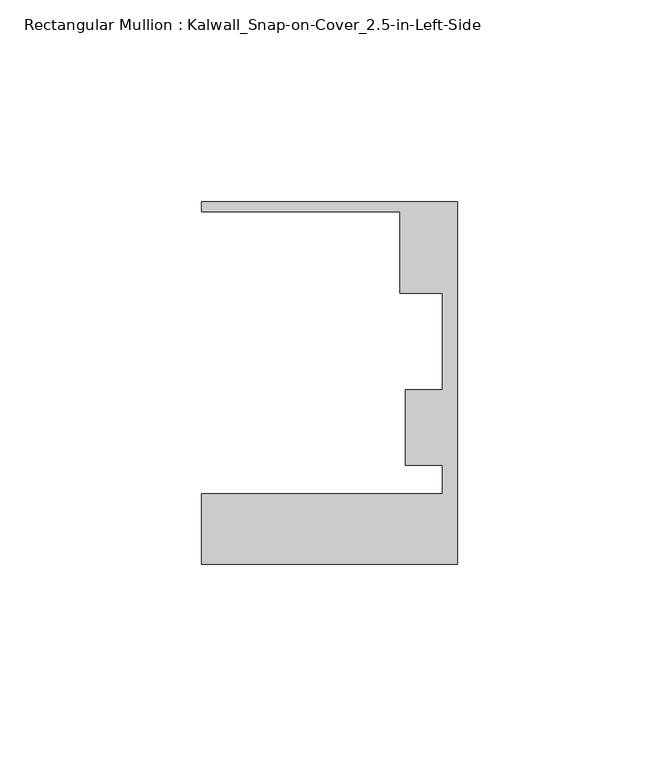
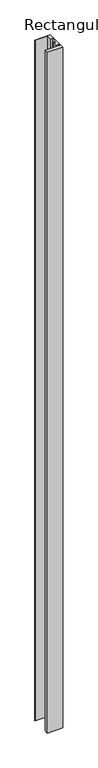
"""IFC4 building model written with IfcOpenShell, lengths in millimetres: member geometry, Rectangular Mullion : Kalwall_Snap-on-Cover_2.5-in-Left-Side."""

from ifc_helpers import new_model, si_unit, frame, origin, place, context, project, spatial, polyline, outline, extrude, source, transform, mapped, element, save


def rectangular_mullion_kalwall_snap_on_cover_2_5_in_left_side_23148e87(model_context):
    return source(origin(), model_context, "Body", "SweptSolid", [
        extrude(outline(polyline([(0.0, -52.5001386), (-63.5, -52.5001386), (-63.5, -35.0376386), (-3.7084, -35.0376386), (-3.7084, -27.8888568), (-12.8272539, -27.8888568), (-12.8272539, -9.1879886), (-3.7084, -9.1879886), (-3.7084, 14.7439614), (-14.1732, 14.7439614), (-14.1732, 34.9623614), (-63.5, 34.9623614), (-63.5, 37.5023614), (0.0, 37.5023614), (0.0, -52.5001386)])), frame((0.0, 0.0, -2971.8), z_axis=(0.0, 0.0, 1.0), x_axis=(1.0, 0.0, 0.0)), (0.0, 0.0, 1.0), 2971.8),
    ])


if __name__ == "__main__":
    model = new_model("IFC4")
    model_context = context("Model", 3, world=origin())
    ifc_project = project(units=[si_unit("LENGTHUNIT", "METRE", prefix="MILLI")], contexts=[model_context])
    site = spatial("IfcSite", under=ifc_project)
    building = spatial("IfcBuilding", under=site)
    placement = place(None, origin())
    rectangular_mullion_kalwall_snap_on_cover_2_5_in_left_side_shape = rectangular_mullion_kalwall_snap_on_cover_2_5_in_left_side_23148e87(model_context)
    element("IfcMember", 1, ObjectType="Rectangular Mullion : Kalwall_Snap-on-Cover_2.5-in-Left-Side", at=placement, inside=building, context=model_context, shape_type="MappedRepresentation", body=[
        mapped(rectangular_mullion_kalwall_snap_on_cover_2_5_in_left_side_shape, transform((0.0, 0.0, 0.0), x_axis=(1.0, 0.0, 0.0), y_axis=(0.0, 1.0, 0.0), z_axis=(0.0, 0.0, 1.0))),
    ])
    save(model, "model.ifc")
